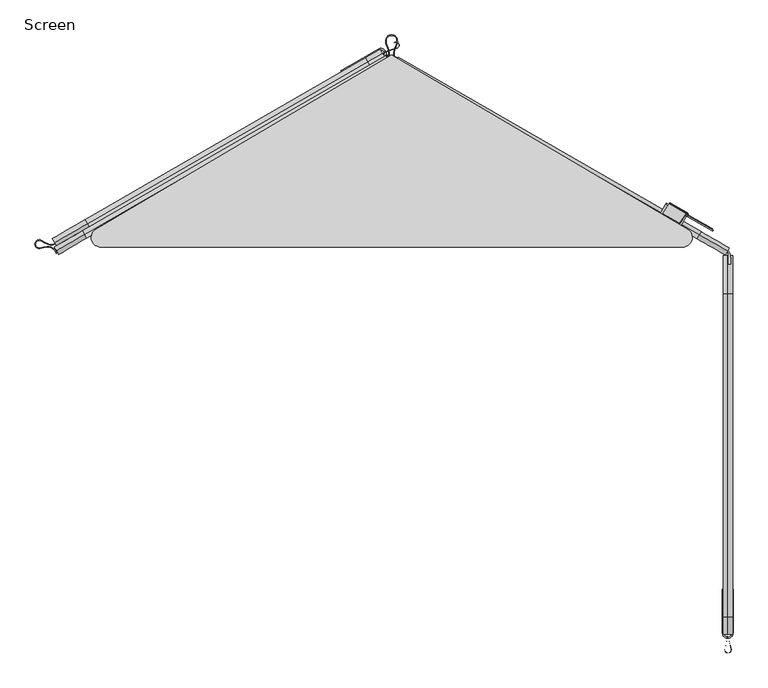
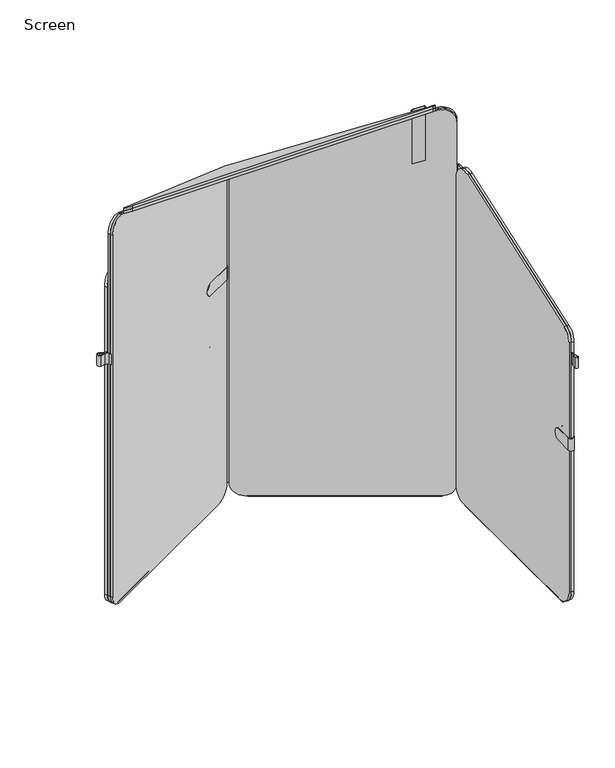
"""IFC4 building model written with IfcOpenShell, lengths in millimetres: furniture geometry, Screen."""

from ifc_helpers import new_model, si_unit, point, frame, frame_2d, origin, place, context, project, spatial, polyline, circle_curve, ellipse_curve, trimmed, segment, composite_curve, outline, extrude, source, transform, mapped, element, save
from ifc_brep_helpers import plane_surface, cylinder_surface, revolved_surface, advanced_brep


def screen_0bcef8fe(model_context):
    return source(origin(), model_context, "Body", "SolidModel", [
        extrude(outline(composite_curve([segment(trimmed(circle_curve(frame_2d((0.0, 2.667)), 2.667), [point((0.0, 5.3339999))], [point((0.0, 0.0))], False, "CARTESIAN"), True, "CONTINUOUS"), segment(trimmed(circle_curve(frame_2d((0.0, 2.667)), 2.667), [point((0.0, 0.0))], [point((0.0, 5.3339999))], False, "CARTESIAN"), True, "CONTINUOUS")], self_intersect=False)), frame((584.9112415, -806.9608816, 2.5379514), z_axis=(-0.001690159880038844, 0.9999985716787699, 0.0), x_axis=(0.0, 0.0, -1.0)), (0.0, 0.0, 1.0), 579.4266985),
        extrude(outline(composite_curve([segment(trimmed(circle_curve(frame_2d((0.0, 2.667)), 2.667), [point((0.0, 5.334))], [point((0.0, 0.0))], False, "CARTESIAN"), True, "CONTINUOUS"), segment(trimmed(circle_curve(frame_2d((0.0, 2.667)), 2.667), [point((0.0, 0.0))], [point((0.0, 5.334))], False, "CARTESIAN"), True, "CONTINUOUS")], self_intersect=False)), frame((584.9073755, -806.963502, 2.5379514), z_axis=(-7.611537644613976e-08, 0.9999999999999971, 0.0), x_axis=(0.0, 0.0, 1.0)), (0.0, 0.0, 1.0), 579.289294),
        extrude(outline(composite_curve([segment(trimmed(circle_curve(frame_2d((-793.904581, 62.4738029)), 57.15), [point((-793.904581, 5.3238029))], [point((-851.054581, 62.4738588))], False, "CARTESIAN"), True, "CONTINUOUS"), segment(polyline([(-851.054581, 62.4738588), (-851.0536958, 968.8031782)]), True, "CONTINUOUS"), segment(trimmed(circle_curve(frame_2d((-806.6036958, 968.8031348)), 44.45), [point((-851.0536958, 968.8031782))], [point((-821.456392, 1010.6982409))], False, "CARTESIAN"), True, "CONTINUOUS"), segment(polyline([(-821.456392, 1010.6982409), (-246.5390307, 1214.5185354)]), True, "CONTINUOUS"), segment(trimmed(circle_curve(frame_2d((-229.5645208, 1166.6384142)), 50.8), [point((-246.5390307, 1214.5185354))], [point((-178.7645208, 1166.6384142))], False, "CARTESIAN"), True, "CONTINUOUS"), segment(polyline([(-178.7645208, 1166.6384142), (-178.7645208, 46.7441429)]), True, "CONTINUOUS"), segment(trimmed(circle_curve(frame_2d((-220.3120333, 46.8715106)), 41.5477077), [point((-178.7645208, 46.7441429))], [point((-220.3120333, 5.3238029))], False, "CARTESIAN"), True, "CONTINUOUS"), segment(polyline([(-220.3120333, 5.3238029), (-793.904581, 5.3238029)]), True, "CONTINUOUS")], self_intersect=False)), frame((585.3041858, 0.0, 0.0), z_axis=(1.0, 0.0, 0.0), x_axis=(0.0, 1.0, 0.0)), (0.0, 0.0, 1.0), 8.2615122),
        extrude(outline(composite_curve([segment(trimmed(circle_curve(frame_2d((-793.904581, 62.4738029)), 57.15), [point((-793.904581, 5.3238029))], [point((-851.054581, 62.4738588))], False, "CARTESIAN"), True, "CONTINUOUS"), segment(polyline([(-851.054581, 62.4738588), (-851.0536958, 968.8031782)]), True, "CONTINUOUS"), segment(trimmed(circle_curve(frame_2d((-806.6036958, 968.8031348)), 44.45), [point((-851.0536958, 968.8031782))], [point((-821.456392, 1010.6982409))], False, "CARTESIAN"), True, "CONTINUOUS"), segment(polyline([(-821.456392, 1010.6982409), (-246.5390307, 1214.5185354)]), True, "CONTINUOUS"), segment(trimmed(circle_curve(frame_2d((-229.5645208, 1166.6384142)), 50.8), [point((-246.5390307, 1214.5185354))], [point((-178.7645208, 1166.6384142))], False, "CARTESIAN"), True, "CONTINUOUS"), segment(polyline([(-178.7645208, 1166.6384142), (-178.7645208, 46.7441429)]), True, "CONTINUOUS"), segment(trimmed(circle_curve(frame_2d((-220.3120333, 46.8715106)), 41.5477077), [point((-178.7645208, 46.7441429))], [point((-220.3120333, 5.3238029))], False, "CARTESIAN"), True, "CONTINUOUS"), segment(polyline([(-220.3120333, 5.3238029), (-793.904581, 5.3238029)]), True, "CONTINUOUS")], self_intersect=False)), frame((577.0426736, 0.0, 0.0), z_axis=(1.0, 0.0, 0.0), x_axis=(0.0, 1.0, 0.0)), (0.0, 0.0, 1.0), 8.2615122),
        advanced_brep(
        [(594.6056546, -849.0201959, 624.0890865), (594.6056546, -789.9130812, 624.0890865), (593.565698, -789.9130812, 624.0890865), (593.565698, -848.059113, 624.0890865), (577.0426736, -848.059113, 624.0890865), (577.0426736, -789.9130812, 624.0890865), (575.6114523, -789.9130812, 624.0890865), (575.6114523, -849.0201959, 624.0890865), (593.565698, -848.059113, 579.6941583), (593.565698, -793.9026792, 579.6941583), (594.6056546, -793.9026792, 579.6941583), (594.6056546, -849.0201959, 579.6941583), (575.6114523, -849.0201959, 579.6941583), (575.6114523, -793.9026792, 579.6941583), (577.0426736, -793.9026792, 579.6941583), (577.0426736, -848.059113, 579.6941583), (593.565698, -793.9026792, 580.0001528), (594.6056546, -793.9026792, 580.0001528), (575.6114523, -793.9026792, 580.0001528), (577.0426736, -793.9026792, 580.0001528)],
        [
            (0, 1),
            (1, 2),
            (2, 3),
            (3, 4, circle_curve(frame((585.3041858, -848.059113, 624.0890865), z_axis=(0.0, 0.0, -1.0), x_axis=(-1.0, 0.0, 0.0)), 8.2615122)),
            (4, 5),
            (5, 6),
            (6, 7),
            (7, 0, circle_curve(frame((585.1085535, -849.0201959, 624.0890865), z_axis=(0.0, 0.0, 1.0), x_axis=(-1.0, 0.0, 0.0)), 9.4971012)),
            (8, 9),
            (9, 10),
            (10, 11),
            (11, 12, circle_curve(frame((585.1085535, -849.0201959, 579.6941583), z_axis=(0.0, 0.0, -1.0), x_axis=(-1.0, 0.0, 0.0)), 9.4971012)),
            (12, 13),
            (13, 14),
            (14, 15),
            (15, 8, circle_curve(frame((585.3041858, -848.059113, 579.6941583), z_axis=(0.0, 0.0, 1.0), x_axis=(-1.0, 0.0, 0.0)), 8.2615122)),
            (2, 16, circle_curve(frame((593.565698, -793.9026792, 602.2251286), z_axis=(-1.0, 0.0, 0.0), x_axis=(0.0, -1.0, 0.0)), 22.2249758)),
            (16, 9),
            (8, 3),
            (10, 17),
            (17, 1, circle_curve(frame((594.6056546, -793.9026792, 602.2251286), z_axis=(1.0, 0.0, 0.0), x_axis=(0.0, -1.0, 0.0)), 22.2249758)),
            (0, 11),
            (7, 12),
            (6, 18, circle_curve(frame((575.6114523, -793.9026792, 602.2251286), z_axis=(-1.0, 0.0, 0.0), x_axis=(0.0, -1.0, 0.0)), 22.2249758)),
            (18, 13),
            (14, 19),
            (19, 5, circle_curve(frame((577.0426736, -793.9026792, 602.2251286), z_axis=(1.0, 0.0, 0.0), x_axis=(0.0, -1.0, 0.0)), 22.2249758)),
            (4, 15),
            (17, 16),
            (19, 18),
        ],
        [
            plane_surface(frame((593.565698, -727.0461626, 624.0890865), z_axis=(0.0, 0.0, 1.0), x_axis=(0.0, 1.0, 0.0))),
            plane_surface(frame((593.565698, -727.0461626, 579.6941583), z_axis=(0.0, 0.0, -1.0), x_axis=(0.0, -1.0, 0.0))),
            plane_surface(frame((593.565698, -848.059113, 624.0890865), z_axis=(-1.0, 0.0, 0.0), x_axis=(0.0, 0.0, -1.0))),
            plane_surface(frame((594.6056546, -770.0915759, 624.0890865), z_axis=(1.0, 0.0, 0.0), x_axis=(0.0, 0.0, -1.0))),
            cylinder_surface(frame((585.1085535, -849.0201959, 579.6941583), z_axis=(0.0, 0.0, 1.0), x_axis=(-1.0, 0.0, 0.0)), 9.4971012),
            plane_surface(frame((575.6114523, -849.0201959, 624.0890865), z_axis=(-1.0, 0.0, 0.0), x_axis=(0.0, 0.0, -1.0))),
            plane_surface(frame((577.0426736, -770.0915759, 624.0890865), z_axis=(1.0, 0.0, 0.0), x_axis=(0.0, 0.0, -1.0))),
            revolved_surface(polyline([(577.0426736000001, -848.059113, 579.6941583), (577.0426736000001, -848.059113, 624.0890865)]), (585.3041858, -848.059113, 579.6941583), (0.0, 0.0, -1.0)),
            cylinder_surface(frame((-11.7288654, -793.9026792, 602.2251286), z_axis=(-1.0, 0.0, 0.0), x_axis=(0.0, -1.0, 0.0)), 22.2249758),
            plane_surface(frame((828.8004227, -793.9026792, 573.6501528), z_axis=(0.0, 1.0, 0.0), x_axis=(-1.0, 0.0, 0.0))),
        ],
        [
            (0, [[1, 2, 3, 4, 5, 6, 7, 8]]),
            (1, [[9, 10, 11, 12, 13, 14, 15, 16]]),
            (2, [[-3, 17, 18, -9, 19]]),
            (3, [[-11, 20, 21, -1, 22]]),
            (4, [[23, -12, -22, -8]]),
            (5, [[-7, 24, 25, -13, -23]]),
            (6, [[-15, 26, 27, -5, 28]]),
            (7, [[-19, -16, -28, -4]]),
            (8, [[-17, -2, -21, 29]]),
            (8, [[-24, -6, -27, 30]]),
            (9, [[-20, -10, -18, -29]]),
            (9, [[-26, -14, -25, -30]]),
        ],
    ),
        extrude(outline(composite_curve([segment(polyline([(586.0917253, -820.897811), (586.0917253, -846.7142585), (587.3370887, -861.7422741), (591.045841, -877.8066451)]), True, "CONTINUOUS"), segment(trimmed(circle_curve(frame_2d((585.7064419, -879.0393425)), 5.4798472), [point((591.045841, -877.8066451))], [point((580.3713175, -877.7882735))], False, "CARTESIAN"), True, "CONTINUOUS"), segment(polyline([(580.3713175, -877.7882735), (584.1276413, -861.5178477), (585.1628091, -846.7142585), (585.1628091, -820.897811), (586.0917253, -820.897811)]), True, "CONTINUOUS")], self_intersect=False), holes=[composite_curve([segment(polyline([(586.9737178, -862.1358416), (585.6627786, -846.3165114), (584.5680582, -861.9717421), (580.8889351, -877.9077749)]), True, "CONTINUOUS"), segment(trimmed(circle_curve(frame_2d((585.6121789, -878.9982217)), 4.8474845), [point((580.8889351, -877.9077749))], [point((590.2800416, -877.6908719))], True, "CARTESIAN"), True, "CONTINUOUS"), segment(polyline([(590.2800416, -877.6908719), (586.9737178, -862.1358416)]), True, "CONTINUOUS")], self_intersect=False)]), frame((0.0, 0.0, 895.3440895), z_axis=(0.0, 0.0, 1.0), x_axis=(1.0, 0.0, 0.0)), (0.0, 0.0, 1.0), 38.1000969),
        extrude(outline(composite_curve([segment(polyline([(586.4054665, -173.4492817), (568.7057031, -163.2303176), (570.8422197, -159.5297627)]), True, "CONTINUOUS"), segment(trimmed(circle_curve(frame_2d((534.9611632, -226.8858947)), 76.3170933), [point((570.8422197, -159.5297627))], [point((584.5871422, -168.906925))], False, "CARTESIAN"), True, "CONTINUOUS"), segment(trimmed(circle_curve(frame_2d((575.1167931, -179.971313)), 14.5639347), [point((584.5871422, -168.906925))], [point((589.4340092, -177.3019462))], False, "CARTESIAN"), True, "CONTINUOUS"), segment(trimmed(circle_curve(frame_2d((514.4097569, -191.2898085)), 76.3170933), [point((589.4340092, -177.3019462))], [point((590.6824061, -193.8939796))], False, "CARTESIAN"), True, "CONTINUOUS"), segment(polyline([(590.6824061, -193.8939796), (586.4054642, -193.8939792), (586.4054665, -173.4492817)]), True, "CONTINUOUS")], self_intersect=False)), frame((0.0, 0.0, 85.0985363), z_axis=(0.0, 0.0, 1.0), x_axis=(1.0, 0.0, 0.0)), (0.0, 0.0, 1.0), 1120.595602),
        extrude(outline(composite_curve([segment(polyline([(586.4054665, -173.4492817), (586.4054642, -193.8657295), (585.5978516, -193.8657295), (585.5978538, -174.8305835)]), True, "CONTINUOUS"), segment(trimmed(circle_curve(frame_2d((583.9907549, -174.8305833)), 1.6070989), [point((585.5978538, -174.8305835))], [point((584.7943044, -173.4387948))], True, "CARTESIAN"), True, "CONTINUOUS"), segment(polyline([(584.7943044, -173.4387948), (568.3093848, -163.9212212), (568.7076344, -163.2314327), (586.4054665, -173.4492817)]), True, "CONTINUOUS")], self_intersect=False)), frame((0.0, 0.0, 83.9630889), z_axis=(0.0, 0.0, 1.0), x_axis=(1.0, 0.0, 0.0)), (0.0, 0.0, 1.0), 1121.7310494),
        extrude(outline(composite_curve([segment(trimmed(circle_curve(frame_2d((-623.3494253, -179.8449442)), 18.1662857), [point((-610.6094914, -166.8947311))], [point((-605.9997385, -174.4595653))], False, "CARTESIAN"), True, "CONTINUOUS"), segment(polyline([(-605.9997385, -174.4595653), (-606.9532852, -174.8151441)]), True, "CONTINUOUS"), segment(trimmed(circle_curve(frame_2d((-623.3494253, -179.8449442)), 17.1502857), [point((-606.9532852, -174.8151441))], [point((-611.3220076, -167.6190077))], True, "CARTESIAN"), True, "CONTINUOUS"), segment(trimmed(circle_curve(frame_2d((-621.5714041, -178.0375759)), 14.6149476), [point((-611.3220076, -167.6190077))], [point((-622.4462407, -163.4488353))], True, "CARTESIAN"), True, "CONTINUOUS"), segment(trimmed(circle_curve(frame_2d((-619.0548419, -220.0036696)), 56.6564283), [point((-622.4462407, -163.4488353))], [point((-636.1449054, -165.9862594))], True, "CARTESIAN"), True, "CONTINUOUS"), segment(trimmed(circle_curve(frame_2d((-637.0263162, -158.2296788)), 7.8064991), [point((-636.1449054, -165.9862594))], [point((-632.7278615, -151.7131832))], False, "CARTESIAN"), True, "CONTINUOUS"), segment(trimmed(circle_curve(frame_2d((-601.5314074, -104.4190808)), 56.6564283), [point((-632.7278615, -151.7131832))], [point((-620.2434235, -157.8962846))], True, "CARTESIAN"), True, "CONTINUOUS"), segment(trimmed(circle_curve(frame_2d((-615.4165196, -144.1014417)), 14.6149476), [point((-620.2434235, -157.8962846))], [point((-608.4031165, -156.9236438))], True, "CARTESIAN"), True, "CONTINUOUS"), segment(trimmed(circle_curve(frame_2d((-616.6331745, -141.8771013)), 17.1502857), [point((-608.4031165, -156.9236438))], [point((-602.2347305, -151.1946711))], True, "CARTESIAN"), True, "CONTINUOUS"), segment(polyline([(-602.2347305, -151.1946711), (-601.4145906, -151.797214)]), True, "CONTINUOUS"), segment(trimmed(circle_curve(frame_2d((-616.6331745, -141.8771013)), 18.1662857), [point((-601.4145906, -151.797214))], [point((-607.9155596, -157.815016))], False, "CARTESIAN"), True, "CONTINUOUS"), segment(trimmed(circle_curve(frame_2d((-615.4165196, -144.1014417)), 15.6309476), [point((-607.9155596, -157.815016))], [point((-620.5789795, -158.8552726))], False, "CARTESIAN"), True, "CONTINUOUS"), segment(trimmed(circle_curve(frame_2d((-601.5314074, -104.4190808)), 57.6724283), [point((-620.5789795, -158.8552726))], [point((-633.2872966, -152.5612919))], False, "CARTESIAN"), True, "CONTINUOUS"), segment(trimmed(circle_curve(frame_2d((-637.0330138, -158.2398324)), 6.8026627), [point((-633.2872966, -152.5612919))], [point((-636.4513756, -165.017584))], True, "CARTESIAN"), True, "CONTINUOUS"), segment(trimmed(circle_curve(frame_2d((-619.0548419, -220.0036696)), 57.6724283), [point((-636.4513756, -165.017584))], [point((-622.5070575, -162.4346571))], False, "CARTESIAN"), True, "CONTINUOUS"), segment(trimmed(circle_curve(frame_2d((-621.5714041, -178.0375759)), 15.6309476), [point((-622.5070575, -162.4346571))], [point((-610.6094914, -166.8947311))], False, "CARTESIAN"), True, "CONTINUOUS")], self_intersect=False)), frame((0.0, 0.0, 895.3441864), z_axis=(0.0, 0.0, 1.0), x_axis=(1.0, 0.0, 0.0)), (0.0, 0.0, 1.0), 38.1),
        advanced_brep(
        [(-35.185633, 186.0583928, 624.0890865), (-27.8726202, 173.4034081, 624.0890865), (-77.7020083, 144.6081974, 624.0890865), (-76.5477938, 142.6108583, 624.0890865), (-25.886273, 171.8869386, 624.0890865), (-35.3898588, 188.3326548, 624.0890865), (-86.0513796, 159.0565745, 624.0890865), (-85.0150211, 157.2631821, 624.0890865), (-35.3898588, 188.3326548, 579.6941583), (-25.886273, 171.8869386, 579.6941583), (-73.0934874, 144.6070193, 579.6941583), (-74.2477018, 146.6043584, 579.6941583), (-27.8726202, 173.4034081, 579.6941583), (-35.185633, 186.0583928, 579.6941583), (-81.5607146, 159.2593431, 579.6941583), (-82.5970731, 161.0527355, 579.6941583), (-81.5607146, 159.2593431, 580.0001528), (-82.5970731, 161.0527355, 580.0001528), (-73.0934874, 144.6070193, 580.0001528), (-74.2477018, 146.6043584, 580.0001528)],
        [
            (0, 1, circle_curve(frame((-31.5291266, 179.7309004, 624.0890865), z_axis=(0.0, 0.0, -1.0), x_axis=(0.5003413979630116, -0.8658282078359537, 0.0)), 7.3080229)),
            (1, 2),
            (2, 3),
            (3, 4),
            (4, 5, circle_curve(frame((-30.6380659, 180.1097967, 624.0890865), z_axis=(0.0, 0.0, 1.0), x_axis=(0.5003413979630116, -0.8658282078359537, 0.0)), 9.4971012)),
            (5, 6),
            (6, 7),
            (7, 0),
            (8, 9, circle_curve(frame((-30.6380659, 180.1097967, 579.6941583), z_axis=(0.0, 0.0, -1.0), x_axis=(0.5003413979630116, -0.8658282078359537, 0.0)), 9.4971012)),
            (9, 10),
            (10, 11),
            (11, 12),
            (12, 13, circle_curve(frame((-31.5291266, 179.7309004, 579.6941583), z_axis=(0.0, 0.0, 1.0), x_axis=(0.5003413979630116, -0.8658282078359537, 0.0)), 7.3080229)),
            (13, 14),
            (14, 15),
            (15, 8),
            (13, 0),
            (7, 16, circle_curve(frame((-81.5607146, 159.2593431, 602.2251286), z_axis=(0.5003413979630116, -0.8658282078359538, 0.0), x_axis=(0.8658282078359536, 0.5003413979630115, 0.0)), 22.2249758)),
            (16, 14),
            (5, 8),
            (15, 17),
            (17, 6, circle_curve(frame((-82.5970731, 161.0527355, 602.2251286), z_axis=(-0.5003413979630116, 0.8658282078359538, 0.0), x_axis=(0.8658282078359536, 0.5003413979630115, 0.0)), 22.2249758)),
            (4, 9),
            (3, 18, circle_curve(frame((-73.0934874, 144.6070193, 602.2251286), z_axis=(0.5003413979630116, -0.8658282078359538, 0.0), x_axis=(0.8658282078359536, 0.5003413979630115, 0.0)), 22.2249758)),
            (18, 10),
            (1, 12),
            (11, 19),
            (19, 2, circle_curve(frame((-74.2477018, 146.6043584, 602.2251286), z_axis=(-0.5003413979630116, 0.8658282078359538, 0.0), x_axis=(0.8658282078359536, 0.5003413979630115, 0.0)), 22.2249758)),
            (17, 16),
            (19, 18),
        ],
        [
            plane_surface(frame((-27.8726202, 173.4034081, 624.0890865), z_axis=(0.0, 0.0, 1.0), x_axis=(-0.8658282078359536, -0.5003413979630116, 0.0))),
            plane_surface(frame((-27.8726202, 173.4034081, 579.6941583), z_axis=(0.0, 0.0, -1.0), x_axis=(0.8658282078359536, 0.5003413979630116, 0.0))),
            plane_surface(frame((-102.6921259, 147.0480063, 624.0890865), z_axis=(0.5003413979630125, -0.8658282078359532, 0.0), x_axis=(0.0, 0.0, -1.0))),
            plane_surface(frame((-35.3898588, 188.3326548, 624.0890865), z_axis=(-0.5003413979630111, 0.8658282078359539, 0.0), x_axis=(0.0, 0.0, -1.0))),
            cylinder_surface(frame((-30.6380659, 180.1097967, 579.6941583), z_axis=(0.0, 0.0, 1.0000000000000002), x_axis=(0.5003413979630116, -0.8658282078359537, 0.0)), 9.4971012),
            plane_surface(frame((-94.2248987, 132.3956825, 624.0890865), z_axis=(0.5003413979630126, -0.865828207835953, 0.0), x_axis=(0.0, 0.0, -1.0))),
            plane_surface(frame((-27.8726202, 173.4034081, 624.0890865), z_axis=(-0.5003413979630116, 0.8658282078359537, 0.0), x_axis=(0.0, 0.0, -1.0))),
            revolved_surface(polyline([(-27.872620205868298, 173.4034080296689, 579.6941583), (-27.872620205868298, 173.4034080296689, 624.0890865)]), (-31.5291266, 179.7309004, 579.6941583), (0.0, 0.0, -1.0000000000000002)),
            cylinder_surface(frame((221.2932134, -364.8217639, 602.2251286), z_axis=(0.5003413979630115, -0.8658282078359536, 0.0), x_axis=(0.8658282078359536, 0.5003413979630115, 0.0)), 22.2249758),
            plane_surface(frame((-199.2583857, 362.9322033, 580.0001528), z_axis=(-0.8658282078359536, -0.5003413979630116, 0.0), x_axis=(0.5003413979630116, -0.8658282078359536, 0.0))),
        ],
        [
            (0, [[1, 2, 3, 4, 5, 6, 7, 8]]),
            (1, [[9, 10, 11, 12, 13, 14, 15, 16]]),
            (2, [[17, -8, 18, 19, -14]]),
            (3, [[20, -16, 21, 22, -6]]),
            (4, [[-5, 23, -9, -20]]),
            (5, [[-23, -4, 24, 25, -10]]),
            (6, [[26, -12, 27, 28, -2]]),
            (7, [[-1, -17, -13, -26]]),
            (8, [[29, -18, -7, -22]]),
            (8, [[30, -24, -3, -28]]),
            (9, [[-29, -21, -15, -19]]),
            (9, [[-30, -27, -11, -25]]),
        ],
    ),
        extrude(outline(composite_curve([segment(trimmed(circle_curve(frame_2d((0.0, -2.667)), 2.667), [point((0.0, -5.334))], [point((0.0, 0.0))], False, "CARTESIAN"), True, "CONTINUOUS"), segment(trimmed(circle_curve(frame_2d((0.0, -2.667)), 2.667), [point((0.0, 0.0))], [point((0.0, -5.334))], False, "CARTESIAN"), True, "CONTINUOUS")], self_intersect=False)), frame((-560.801275, -126.5834955, 2.5379514), z_axis=(0.8668691708695273, 0.49853569641097756, 0.0), x_axis=(0.0, 0.0, 1.0)), (0.0, 0.0, 1.0), 579.4266985),
        extrude(outline(composite_curve([segment(trimmed(circle_curve(frame_2d((0.0, -2.667)), 2.667), [point((0.0, -5.334))], [point((0.0, 0.0))], False, "CARTESIAN"), True, "CONTINUOUS"), segment(trimmed(circle_curve(frame_2d((0.0, -2.667)), 2.667), [point((0.0, 0.0))], [point((0.0, -5.334))], False, "CARTESIAN"), True, "CONTINUOUS")], self_intersect=False)), frame((-560.1938891, -127.3623609, 2.5379514), z_axis=(0.8660253657267415, 0.5000000659178595, 0.0), x_axis=(0.0, 0.0, -1.0)), (0.0, 0.0, 1.0), 579.289294),
        extrude(outline(composite_curve([segment(trimmed(circle_curve(frame_2d((0.0, -57.15)), 57.15), [point((57.15, -57.15))], [point((-5.59e-05, -114.3))], False, "CARTESIAN"), True, "CONTINUOUS"), segment(polyline([(-5.59e-05, -114.3), (-906.3293753, -114.2991149)]), True, "CONTINUOUS"), segment(trimmed(circle_curve(frame_2d((-906.3293319, -69.8491148)), 44.45), [point((-906.3293753, -114.2991149))], [point((-948.224438, -84.701811))], False, "CARTESIAN"), True, "CONTINUOUS"), segment(polyline([(-948.224438, -84.701811), (-1152.0447325, 490.2155502)]), True, "CONTINUOUS"), segment(trimmed(circle_curve(frame_2d((-1104.1646113, 507.1900601)), 50.8), [point((-1152.0447325, 490.2155502))], [point((-1104.1646113, 557.9900602))], False, "CARTESIAN"), True, "CONTINUOUS"), segment(polyline([(-1104.1646113, 557.9900602), (15.72966, 557.9900602)]), True, "CONTINUOUS"), segment(trimmed(circle_curve(frame_2d((15.6022923, 516.4425477)), 41.5477077), [point((15.72966, 557.9900602))], [point((57.15, 516.4425477))], False, "CARTESIAN"), True, "CONTINUOUS"), segment(polyline([(57.15, 516.4425477), (57.15, -57.15)]), True, "CONTINUOUS")], self_intersect=False)), frame((-126.9075735, 123.5127335, 62.4738029), z_axis=(-0.5003413979630116, 0.8658282078359537, 0.0), x_axis=(0.0, 0.0, -1.0)), (0.0, 0.0, 1.0), 8.2615122),
        extrude(outline(composite_curve([segment(polyline([(-54.4480301, 166.2949488), (-32.0954216, 179.2119862), (-19.7068487, 187.8093953), (-7.6535054, 199.0582075)]), True, "CONTINUOUS"), segment(trimmed(circle_curve(frame_2d((-3.9146788, 195.0519747)), 5.4798472), [point((-7.6535054, 199.0582075))], [point((-2.3285061, 189.8067119))], False, "CARTESIAN"), True, "CONTINUOUS"), segment(polyline([(-2.3285061, 189.8067119), (-18.295344, 184.9182753), (-31.6306464, 178.4077043), (-53.9832548, 165.4906669), (-54.4480301, 166.2949488)]), True, "CONTINUOUS")], self_intersect=False), holes=[composite_curve([segment(polyline([(-19.1842773, 187.6916966), (-32.2251824, 178.6415827), (-18.1227081, 185.5267029), (-2.4840239, 190.3146713)]), True, "CONTINUOUS"), segment(trimmed(circle_curve(frame_2d((-3.9031187, 194.9497846)), 4.8474845), [point((-2.4840239, 190.3146713))], [point((-7.3705839, 198.3372307))], True, "CARTESIAN"), True, "CONTINUOUS"), segment(polyline([(-7.3705839, 198.3372307), (-19.1842773, 187.6916966)]), True, "CONTINUOUS")], self_intersect=False)]), frame((0.0, 0.0, 895.3440895), z_axis=(0.0, 0.0, 1.0), x_axis=(1.0, 0.0, 0.0)), (0.0, 0.0, 1.0), 38.1000969),
        extrude(outline(composite_curve([segment(trimmed(circle_curve(frame_2d((573.5925477, -57.15)), 57.15), [point((573.5925477, 0.0))], [point((630.7425477, -57.1500559))], False, "CARTESIAN"), True, "CONTINUOUS"), segment(polyline([(630.7425477, -57.1500559), (630.7416626, -963.4793753)]), True, "CONTINUOUS"), segment(trimmed(circle_curve(frame_2d((586.2916626, -963.4793319)), 44.45), [point((630.7416626, -963.4793753))], [point((601.1443587, -1005.374438))], False, "CARTESIAN"), True, "CONTINUOUS"), segment(polyline([(601.1443587, -1005.374438), (26.2269974, -1209.1947325)]), True, "CONTINUOUS"), segment(trimmed(circle_curve(frame_2d((9.2524875, -1161.3146113)), 50.8), [point((26.2269974, -1209.1947325))], [point((-41.5475124, -1161.3146113))], False, "CARTESIAN"), True, "CONTINUOUS"), segment(polyline([(-41.5475124, -1161.3146113), (-41.5475124, -41.42034)]), True, "CONTINUOUS"), segment(trimmed(circle_curve(frame_2d((0.0, -41.5477077)), 41.5477077), [point((-41.5475124, -41.42034))], [point((0.0, 0.0))], False, "CARTESIAN"), True, "CONTINUOUS"), segment(polyline([(0.0, 0.0), (573.5925477, 0.0)]), True, "CONTINUOUS")], self_intersect=False)), frame((-570.8786628, -140.3867872, 5.3238029), z_axis=(-0.5003413979630116, 0.8658282078359536, 0.0), x_axis=(0.8658282078359536, 0.5003413979630116, 0.0)), (0.0, 0.0, 1.0), 6.3545336),
        extrude(outline(composite_curve([segment(trimmed(circle_curve(frame_2d((0.0, -2.6669999)), 2.667), [point((0.0, -5.334))], [point((0.0, 0.0))], False, "CARTESIAN"), True, "CONTINUOUS"), segment(trimmed(circle_curve(frame_2d((0.0, -2.6669999)), 2.667), [point((0.0, 0.0))], [point((0.0, -5.334))], False, "CARTESIAN"), True, "CONTINUOUS")], self_intersect=False)), frame((546.2862611, -147.9721252, 2.5379514), z_axis=(-0.8651791250509948, 0.5014629413785183, 0.0), x_axis=(0.0, 0.0, 1.0)), (0.0, 0.0, 1.0), 579.4266985),
        extrude(outline(composite_curve([segment(trimmed(circle_curve(frame_2d((0.0, -2.667)), 2.667), [point((0.0, -5.334))], [point((0.0, 0.0))], False, "CARTESIAN"), True, "CONTINUOUS"), segment(trimmed(circle_curve(frame_2d((0.0, -2.667)), 2.667), [point((0.0, 0.0))], [point((0.0, -5.334))], False, "CARTESIAN"), True, "CONTINUOUS")], self_intersect=False)), frame((546.2845735, -147.9468054, 2.5379514), z_axis=(-0.8660254037844412, 0.4999999999999957, 0.0), x_axis=(0.0, 0.0, -1.0)), (0.0, 0.0, 1.0), 579.289294),
        extrude(outline(composite_curve([segment(trimmed(circle_curve(frame_2d((0.0, -2.667)), 2.667), [point((0.0, -5.3339999))], [point((0.0, 0.0))], False, "CARTESIAN"), True, "CONTINUOUS"), segment(trimmed(circle_curve(frame_2d((0.0, -2.667)), 2.667), [point((0.0, 0.0))], [point((0.0, -5.3339999))], False, "CARTESIAN"), True, "CONTINUOUS")], self_intersect=False)), frame((-570.6642853, -148.7535796, 2.5379514), z_axis=(0.8651791250509948, 0.5014629413785183, 0.0), x_axis=(0.0, 0.0, -1.0)), (0.0, 0.0, 1.0), 579.3030841),
        extrude(outline(composite_curve([segment(trimmed(circle_curve(frame_2d((0.0, -2.667)), 2.667), [point((0.0, -5.334))], [point((0.0, 0.0))], False, "CARTESIAN"), True, "CONTINUOUS"), segment(trimmed(circle_curve(frame_2d((0.0, -2.667)), 2.667), [point((0.0, 0.0))], [point((0.0, -5.334))], False, "CARTESIAN"), True, "CONTINUOUS")], self_intersect=False)), frame((-570.781909, -148.5470215, 2.5379514), z_axis=(0.8660254037844412, 0.4999999999999957, 0.0), x_axis=(0.0, 0.0, 1.0)), (0.0, 0.0, 1.0), 579.3014692),
        extrude(outline(composite_curve([segment(polyline([(23.8908781, 0.0), (243.7044894, -621.3940454)]), True, "CONTINUOUS"), segment(trimmed(circle_curve(frame_2d((202.8345266, -635.8514966)), 43.3517216), [point((243.7044894, -621.3940454))], [point((202.8345266, -679.2032182))], False, "CARTESIAN"), True, "CONTINUOUS"), segment(polyline([(202.8345266, -679.2032182), (-1113.2357295, -679.2032182)]), True, "CONTINUOUS"), segment(trimmed(circle_curve(frame_2d((-1113.2357295, -634.7532182)), 44.45), [point((-1113.2357295, -679.2032182))], [point((-1157.6857295, -634.7532182))], False, "CARTESIAN"), True, "CONTINUOUS"), segment(polyline([(-1157.6857295, -634.7532182), (-1157.6857295, -45.7577438)]), True, "CONTINUOUS"), segment(trimmed(circle_curve(frame_2d((-1111.9279857, -45.7577438)), 45.7577438), [point((-1157.6857295, -45.7577438))], [point((-1111.9279857, 0.0))], False, "CARTESIAN"), True, "CONTINUOUS"), segment(polyline([(-1111.9279857, 0.0), (23.8908781, 0.0)]), True, "CONTINUOUS")], self_intersect=False)), frame((-14.4661128, 163.1916196, 1163.1002266), z_axis=(-0.5000000329589273, 0.8660253847555923, 0.0), x_axis=(0.0, 0.0, 1.0)), (0.0, 0.0, 1.0), 7.4323841),
        extrude(outline(composite_curve([segment(polyline([(717.1326135, 0.0), (1095.7318125, -1070.2671524)]), True, "CONTINUOUS"), segment(trimmed(circle_curve(frame_2d((1052.5935651, -1085.5269928)), 45.7577438), [point((1095.7318125, -1070.2671524))], [point((1067.8534055, -1128.6652402))], False, "CARTESIAN"), True, "CONTINUOUS"), segment(polyline([(1067.8534055, -1128.6652402), (513.4772694, -1324.7717549)]), True, "CONTINUOUS"), segment(trimmed(circle_curve(frame_2d((498.6535511, -1282.8663868)), 44.45), [point((513.4772694, -1324.7717549))], [point((456.748183, -1297.6901051))], False, "CARTESIAN"), True, "CONTINUOUS"), segment(polyline([(456.748183, -1297.6901051), (18.1493464, -57.8091728)]), True, "CONTINUOUS"), segment(trimmed(circle_curve(frame_2d((59.0193093, -43.3517215)), 43.3517216), [point((18.1493464, -57.8091728))], [point((59.0193093, 1e-07))], False, "CARTESIAN"), True, "CONTINUOUS"), segment(polyline([(59.0193093, 1e-07), (717.1326135, 0.0)]), True, "CONTINUOUS")], self_intersect=False)), frame((582.8634815, -169.153187, 1425.5875103), z_axis=(0.5000000329589278, 0.8660253847555921, 0.0), x_axis=(-0.816447975865982, 0.4713765000750515, -0.3334919757375519)), (0.0, 0.0, 1.0), 6.049998),
        extrude(outline(composite_curve([segment(polyline([(-11.7399787, 174.820534), (5.9578534, 164.602685), (5.5596037, 163.9128964), (-10.9253159, 173.4304701)]), True, "CONTINUOUS"), segment(trimmed(circle_curve(frame_2d((-11.7288654, 172.0386816)), 1.6070989), [point((-10.9253159, 173.4304701))], [point((-12.5324149, 173.4304701))], True, "CARTESIAN"), True, "CONTINUOUS"), segment(polyline([(-12.5324149, 173.4304701), (-29.0173345, 163.9128964), (-29.4211408, 164.6123094), (-11.7399787, 174.820534)]), True, "CONTINUOUS")], self_intersect=False)), frame((0.0, 0.0, 47.7445179), z_axis=(0.0, 0.0, 1.0), x_axis=(1.0, 0.0, 0.0)), (0.0, 0.0, 1.0), 1113.9907726),
        extrude(outline(polyline([(-69.9882339, 0.0), (-33.8529548, 1e-07), (-33.8529548, -144.6002372), (-69.9882338, -147.6436722), (-69.9882339, 0.0)])), frame((585.03978, -147.7404078, 1265.6909919), z_axis=(0.5000000329589275, 0.8660253847555921, 0.0), x_axis=(0.8137976634681078, -0.46984634136421555, 0.3420201433256666)), (0.0, 0.0, 1.0), 0.9453191),
        advanced_brep(
        [(-14.3097971, 176.8748559, 1195.9587319), (-536.1946032, -131.1738442, 1414.8812845), (-527.5364178, -163.4866295, 1437.8451776), (504.7049264, -163.4866295, 1437.8451776), (513.3505733, -131.2206383, 1414.9145399), (-9.1472551, 176.8760063, 1195.9579143), (-536.1946032, -131.1738442, 1405.7444588), (-14.3097971, 176.8748559, 1186.8219062), (-9.1472551, 176.8760063, 1186.8210886), (513.3505733, -131.2206383, 1405.7777142), (504.7049264, -163.4866295, 1428.7083519), (-527.5364178, -163.4866295, 1428.7083519)],
        [
            (0, 1),
            (1, 2, ellipse_curve(frame((-527.5364178, -146.1702599, 1425.5388642), z_axis=(0.0, 0.5792877413393603, 0.8151231273457663), x_axis=(0.0, -0.8151231273457663, 0.5792877413393603)), 21.2438698, 17.3163696)),
            (2, 3),
            (3, 4, ellipse_curve(frame((504.7049264, -146.1953368, 1425.5566858), z_axis=(0.0, 0.5792877413393603, 0.8151231273457663), x_axis=(0.0, -0.8151231273457663, 0.5792877413393603)), 21.2131053, 17.2912927)),
            (4, 5),
            (5, 0, ellipse_curve(frame((-11.7275511, 172.5001095, 1199.0677554), z_axis=(0.0, 0.5792877413393603, 0.8151231273457663), x_axis=(0.0, -0.8151231273457663, 0.5792877413393603)), 6.2321873, 5.08)),
            (6, 7),
            (7, 8, ellipse_curve(frame((-11.7275511, 172.5001095, 1189.9309296), z_axis=(0.0, -0.5792877413393608, -0.8151231273457661), x_axis=(0.0, -0.8151231273457663, 0.5792877413393606)), 6.2321873, 5.08)),
            (8, 9),
            (9, 10, ellipse_curve(frame((504.7049264, -146.1953368, 1416.41986), z_axis=(0.0, -0.5792877413393608, -0.8151231273457661), x_axis=(0.0, -0.8151231273457663, 0.5792877413393606)), 21.2131053, 17.2912927)),
            (10, 11),
            (11, 6, ellipse_curve(frame((-527.5364178, -146.1702599, 1416.4020385), z_axis=(0.0, -0.5792877413393608, -0.8151231273457661), x_axis=(0.0, -0.8151231273457663, 0.5792877413393606)), 21.2438698, 17.3163696)),
            (0, 7),
            (6, 1),
            (11, 2),
            (10, 3),
            (9, 4),
            (8, 5),
        ],
        [
            plane_surface(frame((2487.7263863, -225.8119481, 1482.1382321), z_axis=(0.0, 0.5792877413393603, 0.8151231273457663), x_axis=(-1.0, 0.0, 0.0))),
            plane_surface(frame((2487.7263863, 184.7961362, 1181.1924492), z_axis=(0.0, -0.5792877413393608, -0.8151231273457661), x_axis=(-1.0, 0.0, 0.0))),
            plane_surface(frame((-14.3097971, 176.8748559, 1541.8269091), z_axis=(-0.5083161340305171, 0.8611705451792168, 0.0), x_axis=(0.0, 0.0, -1.0))),
            cylinder_surface(frame((-527.5364178, -146.1702599, 1163.2525521), z_axis=(0.0, 0.0, 1.0), x_axis=(1.0, 0.0, 0.0)), 17.3163696),
            plane_surface(frame((-527.5364178, -163.4866295, 1541.8269091), z_axis=(0.0, -1.0, 0.0), x_axis=(0.0, 0.0, -1.0))),
            cylinder_surface(frame((504.7049264, -146.1953368, 1163.2525521), z_axis=(0.0, 0.0, 1.0), x_axis=(1.0, 0.0, 0.0)), 17.2912927),
            plane_surface(frame((513.3505733, -131.2206383, 1541.8269091), z_axis=(0.5079322990525112, 0.8613969930172908, 0.0), x_axis=(0.0, 0.0, -1.0))),
            cylinder_surface(frame((-11.7275511, 172.5001095, 1163.2525521), z_axis=(0.0, 0.0, 1.0), x_axis=(1.0, 0.0, 0.0)), 5.08),
        ],
        [
            (0, [[1, 2, 3, 4, 5, 6]]),
            (1, [[7, 8, 9, 10, 11, 12]]),
            (2, [[13, -7, 14, -1]]),
            (3, [[-14, -12, 15, -2]]),
            (4, [[-15, -11, 16, -3]]),
            (5, [[-16, -10, 17, -4]]),
            (6, [[-17, -9, 18, -5]]),
            (7, [[-13, -6, -18, -8]]),
        ],
    ),
        advanced_brep(
        [(-14.3097971, 176.8748559, 1186.8306069), (-14.3097971, 176.8748559, 1177.2969062), (-536.1946032, -131.1738442, 1396.2194588), (-536.1946032, -131.1738442, 1405.7531595), (-527.5364178, -163.4866295, 1419.1833519), (-527.5364178, -163.4866295, 1428.7170526), (504.7049264, -163.4866295, 1419.1833519), (504.7049264, -163.4866295, 1428.7170526), (513.3505733, -131.2206383, 1396.2527142), (513.3505733, -131.2206383, 1405.7864149), (-9.1472551, 176.8760063, 1177.2960886), (-9.1472551, 176.8760063, 1186.8297893)],
        [
            (0, 1),
            (1, 2),
            (2, 3),
            (3, 0),
            (2, 4, ellipse_curve(frame((-527.5364178, -146.1702599, 1406.8770385), z_axis=(0.0, 0.5792877413393606, 0.8151231273457662), x_axis=(0.0, -0.8151231273457662, 0.5792877413393606)), 21.2438698, 17.3163696)),
            (4, 5),
            (5, 3, ellipse_curve(frame((-527.5364178, -146.1702599, 1416.4107392), z_axis=(0.0, -0.5792877413393603, -0.8151231273457663), x_axis=(0.0, -0.8151231273457663, 0.5792877413393603)), 21.2438698, 17.3163696)),
            (4, 6),
            (6, 7),
            (7, 5),
            (6, 8, ellipse_curve(frame((504.7049264, -146.1953368, 1406.89486), z_axis=(0.0, 0.5792877413393606, 0.8151231273457662), x_axis=(0.0, -0.8151231273457662, 0.5792877413393606)), 21.2131053, 17.2912927)),
            (8, 9),
            (9, 7, ellipse_curve(frame((504.7049264, -146.1953368, 1416.4285608), z_axis=(0.0, -0.5792877413393603, -0.8151231273457663), x_axis=(0.0, -0.8151231273457663, 0.5792877413393603)), 21.2131053, 17.2912927)),
            (8, 10),
            (10, 11),
            (11, 9),
            (11, 0, ellipse_curve(frame((-11.7275511, 172.5001095, 1189.9396304), z_axis=(0.0, 0.5792877413393603, 0.8151231273457663), x_axis=(0.0, -0.8151231273457663, 0.5792877413393603)), 6.2321873, 5.08)),
            (1, 10, ellipse_curve(frame((-11.7275511, 172.5001095, 1180.4059296), z_axis=(0.0, -0.5792877413393606, -0.8151231273457662), x_axis=(0.0, -0.8151231273457662, 0.5792877413393606)), 6.2321873, 5.08)),
        ],
        [
            plane_surface(frame((-14.3097971, 176.8748559, 1437.5769806), z_axis=(-0.5083161340305171, 0.8611705451792168, 0.0), x_axis=(0.0, 0.0, -1.0))),
            cylinder_surface(frame((-527.5364178, -146.1702599, 1133.5653838), z_axis=(0.0, 0.0, 1.0), x_axis=(1.0, 0.0, 0.0)), 17.3163696),
            plane_surface(frame((-527.5364178, -163.4866295, 1437.5769806), z_axis=(0.0, -1.0, 0.0), x_axis=(0.0, 0.0, -1.0))),
            cylinder_surface(frame((504.7049264, -146.1953368, 1133.5653838), z_axis=(0.0, 0.0, 1.0), x_axis=(1.0, 0.0, 0.0)), 17.2912927),
            plane_surface(frame((513.3505733, -131.2206383, 1437.5769806), z_axis=(0.5079322990525112, 0.8613969930172908, 0.0), x_axis=(0.0, 0.0, -1.0))),
            plane_surface(frame((1259.7636478, -208.7151319, 1460.8598248), z_axis=(0.0, 0.5792877413393603, 0.8151231273457663), x_axis=(-1.0, 0.0, 0.0))),
            plane_surface(frame((1259.7636478, 184.7961362, 1171.6674492), z_axis=(0.0, -0.5792877413393606, -0.8151231273457662), x_axis=(-1.0, 0.0, 0.0))),
            cylinder_surface(frame((-11.7275511, 172.5001095, 1133.5653838), z_axis=(0.0, 0.0, 1.0), x_axis=(1.0, 0.0, 0.0)), 5.08),
        ],
        [
            (0, [[1, 2, 3, 4]]),
            (1, [[-3, 5, 6, 7]]),
            (2, [[-6, 8, 9, 10]]),
            (3, [[-9, 11, 12, 13]]),
            (4, [[-12, 14, 15, 16]]),
            (5, [[-4, -7, -10, -13, -16, 17]]),
            (6, [[-2, 18, -14, -11, -8, -5]]),
            (7, [[-1, -17, -15, -18]]),
        ],
    ),
        extrude(outline(composite_curve([segment(polyline([(0.0, 0.0), (2.8150356, 0.5471875), (2.9954111, -0.3807635), (-0.9760086, -1.1527292), (-11.901871, -1.1527292)]), True, "CONTINUOUS"), segment(trimmed(circle_curve(frame_2d((-11.9018709, -6.368235)), 5.2155058), [point((-11.901871, -1.1527292))], [point((-13.5442475, -1.4180734))], True, "CARTESIAN"), True, "CONTINUOUS"), segment(trimmed(circle_curve(frame_2d((-13.0977571, -2.7638059)), 1.417868), [point((-13.5442475, -1.4180734))], [point((-14.5005456, -2.970044))], True, "CARTESIAN"), True, "CONTINUOUS"), segment(polyline([(-14.5005456, -2.970044), (-14.5005457, -23.7812417), (-15.71671, -24.0176401), (-15.7167099, -2.8117614)]), True, "CONTINUOUS"), segment(trimmed(circle_curve(frame_2d((-14.1778573, -2.4558411)), 1.5794768), [point((-15.7167099, -2.8117614))], [point((-15.0704078, -1.1527292))], False, "CARTESIAN"), True, "CONTINUOUS"), segment(trimmed(circle_curve(frame_2d((-11.3475441, -6.5880603)), 6.5880603), [point((-15.0704078, -1.1527292))], [point((-11.3475441, 0.0))], False, "CARTESIAN"), True, "CONTINUOUS"), segment(polyline([(-11.3475441, 0.0), (0.0, 0.0)]), True, "CONTINUOUS")], self_intersect=False)), frame((485.6508317, -89.2666062, 1374.3756127), z_axis=(0.8137976634680696, -0.4698463413642837, 0.3420201433256641), x_axis=(0.1953516284044776, -0.3331135796888759, -0.9224278206486304)), (0.0, 0.0, 1.0), 37.3309113),
        extrude(outline(polyline([(-24.3350397, 1e-07), (20.553585, 0.0), (21.7184634, -3.3830528), (-23.1701612, -3.3830527), (-24.3350397, 1e-07)])), frame((482.4314067, -120.5270176, 1388.1549982), z_axis=(0.5000000329589274, 0.8660253847555921, 0.0), x_axis=(0.8188430882269575, -0.4727593189629363, 0.32556815445715814)), (0.0, 0.0, 1.0), 25.0687388),
        extrude(outline(polyline([(-76.6458819, 0.0), (-30.9223631, 0.0), (-30.9223631, -152.9844366), (-76.6458818, -156.8354255), (-76.6458819, 0.0)])), frame((583.8491391, -149.8026582, 1265.6909919), z_axis=(0.5000000329589275, 0.8660253847555921, 0.0), x_axis=(0.8137976634681072, -0.4698463413642152, 0.3420201433256684)), (0.0, 0.0, 1.0), 2.1790699),
        extrude(outline(composite_curve([segment(polyline([(-716.9453356, 0.0), (-57.8181982, 0.0)]), True, "CONTINUOUS"), segment(trimmed(circle_curve(frame_2d((-57.8181982, -43.3517215)), 43.3517216), [point((-57.8181982, 0.0))], [point((-16.9482353, -57.8091728))], False, "CARTESIAN"), True, "CONTINUOUS"), segment(polyline([(-16.9482353, -57.8091728), (-455.8471052, -1298.5382734)]), True, "CONTINUOUS"), segment(trimmed(circle_curve(frame_2d((-497.7524733, -1283.7145551)), 44.45), [point((-455.8471052, -1298.5382734))], [point((-512.5761916, -1325.6199232))], False, "CARTESIAN"), True, "CONTINUOUS"), segment(polyline([(-512.5761916, -1325.6199232), (-1067.8534056, -1129.1946587)]), True, "CONTINUOUS"), segment(trimmed(circle_curve(frame_2d((-1052.5935652, -1086.0564113)), 45.7577438), [point((-1067.8534056, -1129.1946587))], [point((-1095.7318126, -1070.7965709))], False, "CARTESIAN"), True, "CONTINUOUS"), segment(polyline([(-1095.7318126, -1070.7965709), (-716.9453356, 0.0)]), True, "CONTINUOUS")], self_intersect=False)), frame((-603.5308732, -168.3229301, 1426.0866212), z_axis=(-0.5000000329589275, 0.8660253847555922, 0.0), x_axis=(-0.8164479758659822, -0.4713765000750513, 0.33349197573755185)), (0.0, 0.0, 1.0), 7.4323841),
        extrude(outline(polyline([(-56.1641408, 0.0), (-14.0597891, 0.0), (43.1672217, -166.1993071), (1.06287, -166.1993071), (-56.1641408, 0.0)])), frame((510.1210128, -138.0223891, 1230.3339603), z_axis=(0.5000000329589276, 0.8660253847555922, 0.0), x_axis=(0.8188430882269567, -0.472759318962936, 0.3255681544571603)), (0.0, 0.0, 1.0), 3.5541339),
        advanced_brep(
        [(-23.4729563, 175.3692253, 838.516023), (-15.8827445, 162.222594, 838.516023), (-99.9829227, 113.6673292, 838.516023), (-99.3760083, 112.6161227, 838.516023), (-14.5982293, 161.5626005, 838.516023), (-23.3035274, 176.6406179, 838.516023), (-108.0813064, 127.69414, 838.516023), (-107.5731345, 126.8139606, 838.516023), (-23.3035274, 176.6406179, 793.1692699), (-14.5982293, 161.5626005, 793.1692699), (-99.3760083, 112.6161227, 793.1692699), (-99.9829227, 113.6673292, 793.1692699), (-15.8827445, 162.222594, 793.1692699), (-23.4729563, 175.3692253, 793.1692699), (-107.5731345, 126.8139606, 793.1692699), (-108.0813064, 127.69414, 793.1692699)],
        [
            (0, 1, circle_curve(frame((-19.6778504, 168.7959097, 838.516023), z_axis=(0.0, 0.0, -1.0), x_axis=(1.0, 0.0, 0.0)), 7.5902113)),
            (1, 2),
            (2, 3),
            (3, 4),
            (4, 5, circle_curve(frame((-18.9508784, 169.1016092, 838.516023), z_axis=(0.0, 0.0, 1.0), x_axis=(1.0, 0.0, 0.0)), 8.7052976)),
            (5, 6),
            (6, 7),
            (7, 0),
            (8, 9, circle_curve(frame((-18.9508784, 169.1016092, 793.1692699), z_axis=(0.0, 0.0, -1.0), x_axis=(1.0, 0.0, 0.0)), 8.7052976)),
            (9, 10),
            (10, 11),
            (11, 12),
            (12, 13, circle_curve(frame((-19.6778504, 168.7959097, 793.1692699), z_axis=(0.0, 0.0, 1.0), x_axis=(1.0, 0.0, 0.0)), 7.5902113)),
            (13, 14),
            (14, 15),
            (15, 8),
            (13, 0),
            (7, 14, circle_curve(frame((-103.428927, 129.2066201, 815.8426465), z_axis=(0.5000000329589276, -0.8660253847555922, 0.0), x_axis=(0.8660253847555922, 0.5000000329589276, 0.0)), 23.1728565)),
            (12, 1),
            (11, 2, circle_curve(frame((-95.8387152, 116.0599888, 815.8426465), z_axis=(-0.5000000329589276, 0.8660253847555922, 0.0), x_axis=(0.8660253847555922, 0.5000000329589276, 0.0)), 23.1728565)),
            (9, 4),
            (3, 10, circle_curve(frame((-95.2318008, 115.0087822, 815.8426465), z_axis=(0.5000000329589276, -0.8660253847555922, 0.0), x_axis=(0.8660253847555922, 0.5000000329589276, 0.0)), 23.1728565)),
            (8, 5),
            (15, 6, circle_curve(frame((-103.9370989, 130.0867996, 815.8426465), z_axis=(-0.5000000329589276, 0.8660253847555922, 0.0), x_axis=(0.8660253847555922, 0.5000000329589276, 0.0)), 23.1728565)),
        ],
        [
            plane_surface(frame((-23.1292525, 175.5676629, 838.516023), z_axis=(0.0, 0.0, 1.0), x_axis=(0.8660253847555888, 0.5000000329589334, 0.0))),
            plane_surface(frame((-23.1292525, 175.5676629, 793.1692699), z_axis=(0.0, 0.0, -1.0), x_axis=(-0.8660253847555888, -0.5000000329589334, 0.0))),
            plane_surface(frame((-126.557068, 115.8535805, 838.516023), z_axis=(0.5000000329589334, -0.8660253847555888, 0.0), x_axis=(0.0, 0.0, -1.0))),
            revolved_surface(polyline([(-12.0876391, 168.7959097, 793.1692699), (-12.0876391, 168.7959097, 838.516023)]), (-19.6778504, 168.7959097, 793.1692699), (0.0, 0.0, -1.0)),
            plane_surface(frame((-15.8827445, 162.222594, 838.516023), z_axis=(-0.5000000329589194, 0.8660253847555969, 0.0), x_axis=(0.0, 0.0, -1.0))),
            plane_surface(frame((-118.7036456, 101.4573051, 838.516023), z_axis=(0.5000000329589331, -0.866025384755589, 0.0), x_axis=(0.0, 0.0, -1.0))),
            cylinder_surface(frame((-18.9508784, 169.1016092, 793.1692699), z_axis=(0.0, 0.0, 1.0), x_axis=(1.0, 0.0, 0.0)), 8.7052976),
            plane_surface(frame((-23.3035274, 176.6406179, 838.516023), z_axis=(-0.5000000329589336, 0.8660253847555887, 0.0), x_axis=(0.0, 0.0, -1.0))),
            cylinder_surface(frame((-25.5460046, -5.6905467, 815.8426465), z_axis=(0.5000000329589277, -0.8660253847555924, 0.0), x_axis=(0.8660253847555922, 0.5000000329589276, 0.0)), 23.1728565),
        ],
        [
            (0, [[1, 2, 3, 4, 5, 6, 7, 8]]),
            (1, [[9, 10, 11, 12, 13, 14, 15, 16]]),
            (2, [[17, -8, 18, -14]]),
            (3, [[-1, -17, -13, 19]]),
            (4, [[-19, -12, 20, -2]]),
            (5, [[21, -4, 22, -10]]),
            (6, [[-5, -21, -9, 23]]),
            (7, [[-23, -16, 24, -6]]),
            (8, [[-3, -20, -11, -22]]),
            (8, [[-7, -24, -15, -18]]),
        ],
    ),
        extrude(outline(composite_curve([segment(trimmed(circle_curve(frame_2d((-33.0593046, 181.3394076)), 18.1662857), [point((-18.4758981, 170.5071323))], [point((-25.3327323, 164.8981785))], False, "CARTESIAN"), True, "CONTINUOUS"), segment(polyline([(-25.3327323, 164.8981785), (-25.8164147, 165.7935771)]), True, "CONTINUOUS"), segment(trimmed(circle_curve(frame_2d((-33.0593046, 181.3394076)), 17.1502857), [point((-25.8164147, 165.7935771))], [point((-19.2915156, 171.1129573))], True, "CARTESIAN"), True, "CONTINUOUS"), segment(trimmed(circle_curve(frame_2d((-31.0240032, 179.8276247)), 14.6149476), [point((-19.2915156, 171.1129573))], [point((-16.6953025, 182.7059974))], True, "CARTESIAN"), True, "CONTINUOUS"), segment(trimmed(circle_curve(frame_2d((-72.2420637, 171.5476736)), 56.6564283), [point((-16.6953025, 182.7059974))], [point((-21.0976289, 195.9238436))], True, "CARTESIAN"), True, "CONTINUOUS"), segment(trimmed(circle_curve(frame_2d((-8.7146763, 201.8257361)), 13.7175017), [point((-21.0976289, 195.9238436))], [point((-20.2991051, 209.1722224))], False, "CARTESIAN"), True, "CONTINUOUS"), segment(trimmed(circle_curve(frame_2d((-12.4788574, 204.2128633)), 9.2602116), [point((-20.2991051, 209.1722224))], [point((-11.7288654, 213.4426537))], False, "CARTESIAN"), True, "CONTINUOUS"), segment(trimmed(circle_curve(frame_2d((-10.9788734, 204.2128633)), 9.2602116), [point((-11.7288654, 213.4426537))], [point((-3.1586257, 209.1722224))], False, "CARTESIAN"), True, "CONTINUOUS"), segment(trimmed(circle_curve(frame_2d((-14.7430546, 201.8257361)), 13.7175017), [point((-3.1586257, 209.1722224))], [point((-2.3601019, 195.9238436))], False, "CARTESIAN"), True, "CONTINUOUS"), segment(trimmed(circle_curve(frame_2d((48.7843329, 171.5476736)), 56.6564283), [point((-2.3601019, 195.9238436))], [point((-6.7624283, 182.7059974))], True, "CARTESIAN"), True, "CONTINUOUS"), segment(trimmed(circle_curve(frame_2d((7.5662724, 179.8276247)), 14.6149476), [point((-6.7624283, 182.7059974))], [point((-4.1662152, 171.1129573))], True, "CARTESIAN"), True, "CONTINUOUS"), segment(trimmed(circle_curve(frame_2d((9.6015737, 181.3394076)), 17.1502857), [point((-4.1662152, 171.1129573))], [point((2.3586839, 165.7935771))], True, "CARTESIAN"), True, "CONTINUOUS"), segment(polyline([(2.3586839, 165.7935771), (1.8750015, 164.8981785)]), True, "CONTINUOUS"), segment(trimmed(circle_curve(frame_2d((9.6015737, 181.3394076)), 18.1662857), [point((1.8750015, 164.8981785))], [point((-4.9818328, 170.5071323))], False, "CARTESIAN"), True, "CONTINUOUS"), segment(trimmed(circle_curve(frame_2d((7.5662724, 179.8276247)), 15.6309476), [point((-4.9818328, 170.5071323))], [point((-7.758529, 182.9060957))], False, "CARTESIAN"), True, "CONTINUOUS"), segment(trimmed(circle_curve(frame_2d((48.7843329, 171.5476736)), 57.6724283), [point((-7.758529, 182.9060957))], [point((-3.2772572, 196.3609729))], False, "CARTESIAN"), True, "CONTINUOUS"), segment(trimmed(circle_curve(frame_2d((-14.7430546, 201.8257361)), 12.7015017), [point((-3.2772572, 196.3609729))], [point((-3.398736, 207.5384047))], True, "CARTESIAN"), True, "CONTINUOUS"), segment(trimmed(circle_curve(frame_2d((-11.3760769, 203.5212481)), 8.931714), [point((-3.398736, 207.5384047))], [point((-11.7288654, 212.4459921))], True, "CARTESIAN"), True, "CONTINUOUS"), segment(trimmed(circle_curve(frame_2d((-12.0816539, 203.5212481)), 8.931714), [point((-11.7288654, 212.4459921))], [point((-20.0589948, 207.5384047))], True, "CARTESIAN"), True, "CONTINUOUS"), segment(trimmed(circle_curve(frame_2d((-8.7146763, 201.8257361)), 12.7015017), [point((-20.0589948, 207.5384047))], [point((-20.1804736, 196.3609729))], True, "CARTESIAN"), True, "CONTINUOUS"), segment(trimmed(circle_curve(frame_2d((-72.2420637, 171.5476736)), 57.6724283), [point((-20.1804736, 196.3609729))], [point((-15.6992018, 182.9060957))], False, "CARTESIAN"), True, "CONTINUOUS"), segment(trimmed(circle_curve(frame_2d((-31.0240032, 179.8276247)), 15.6309476), [point((-15.6992018, 182.9060957))], [point((-18.4758981, 170.5071323))], False, "CARTESIAN"), True, "CONTINUOUS")], self_intersect=False)), frame((0.0, 0.0, 895.3441864), z_axis=(0.0, 0.0, 1.0), x_axis=(1.0, 0.0, 0.0)), (0.0, 0.0, 1.0), 50.6240902),
        extrude(outline(composite_curve([segment(polyline([(-11.7399787, 174.820534), (-29.4211408, 164.6123094), (-31.5690544, 168.3326045)]), True, "CONTINUOUS"), segment(trimmed(circle_curve(frame_2d((8.8225436, 103.5806352)), 76.3170933), [point((-31.5690544, 168.3326045))], [point((-16.575733, 175.5474766))], False, "CARTESIAN"), True, "CONTINUOUS"), segment(trimmed(circle_curve(frame_2d((-11.7288654, 161.8137201)), 14.5639347), [point((-16.575733, 175.5474766))], [point((-6.8819979, 175.5474766))], False, "CARTESIAN"), True, "CONTINUOUS"), segment(trimmed(circle_curve(frame_2d((-32.2802745, 103.5806352)), 76.3170933), [point((-6.8819979, 175.5474766))], [point((8.1113236, 168.3326045))], False, "CARTESIAN"), True, "CONTINUOUS"), segment(polyline([(8.1113236, 168.3326045), (5.9578534, 164.602685), (-11.7399787, 174.820534)]), True, "CONTINUOUS")], self_intersect=False)), frame((0.0, 0.0, 47.7445179), z_axis=(0.0, 0.0, 1.0), x_axis=(1.0, 0.0, 0.0)), (0.0, 0.0, 1.0), 1113.9907726),
        extrude(outline(composite_curve([segment(polyline([(-23.3293116, 0.0), (1111.9279857, 0.0)]), True, "CONTINUOUS"), segment(trimmed(circle_curve(frame_2d((1111.9279857, -45.7577438)), 45.7577438), [point((1111.9279857, 0.0))], [point((1157.6857295, -45.7577438))], False, "CARTESIAN"), True, "CONTINUOUS"), segment(polyline([(1157.6857295, -45.7577438), (1157.6857295, -633.797424)]), True, "CONTINUOUS"), segment(trimmed(circle_curve(frame_2d((1113.2357295, -633.797424)), 44.45), [point((1157.6857295, -633.797424))], [point((1113.2357295, -678.2474239))], False, "CARTESIAN"), True, "CONTINUOUS"), segment(polyline([(1113.2357295, -678.2474239), (-201.9348548, -678.2474239)]), True, "CONTINUOUS"), segment(trimmed(circle_curve(frame_2d((-201.9348548, -634.8957024)), 43.3517216), [point((-201.9348548, -678.2474239))], [point((-242.8048177, -620.4382511))], False, "CARTESIAN"), True, "CONTINUOUS"), segment(polyline([(-242.8048177, -620.4382511), (-23.3293116, 0.0)]), True, "CONTINUOUS")], self_intersect=False)), frame((-6.8492133, 161.5922211, 1163.1002266), z_axis=(0.5000000329589275, 0.8660253847555922, 0.0), x_axis=(0.0, 0.0, -1.0)), (0.0, 0.0, 1.0), 8.4224476),
    ])


if __name__ == "__main__":
    model = new_model("IFC4")
    model_context = context("Model", 3, world=origin())
    ifc_project = project(units=[si_unit("LENGTHUNIT", "METRE", prefix="MILLI")], contexts=[model_context])
    site = spatial("IfcSite", under=ifc_project)
    building = spatial("IfcBuilding", under=site)
    placement = place(None, origin())
    screen_shape = screen_0bcef8fe(model_context)
    element("IfcFurniture", 1, ObjectType="Screen", at=placement, inside=building, context=model_context, shape_type="MappedRepresentation", body=[
        mapped(screen_shape, transform((0.0, 0.0, 0.0), x_axis=(1.0, 0.0, 0.0), y_axis=(0.0, 1.0, 0.0), z_axis=(0.0, 0.0, 1.0))),
    ])
    save(model, "model.ifc")
